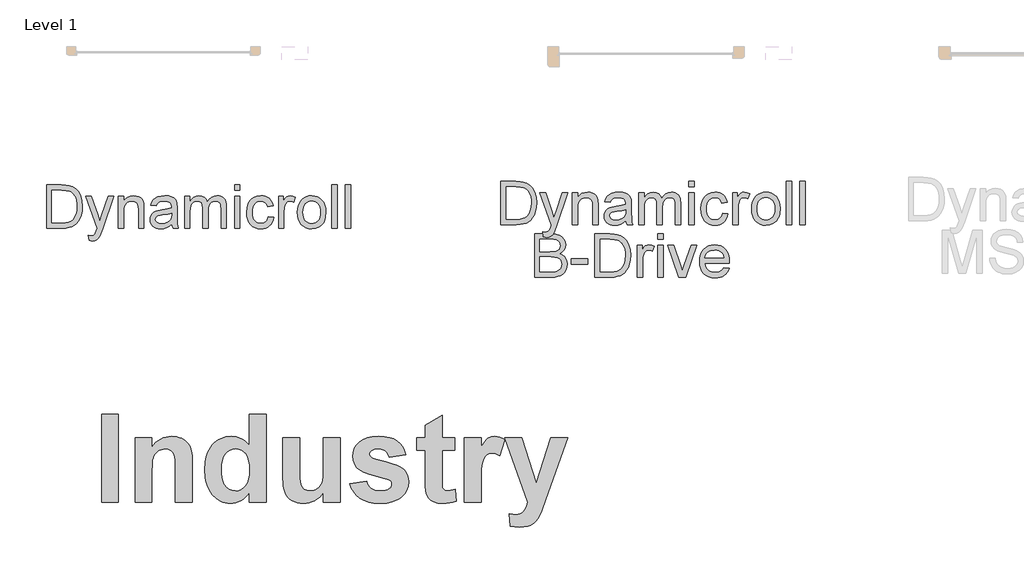
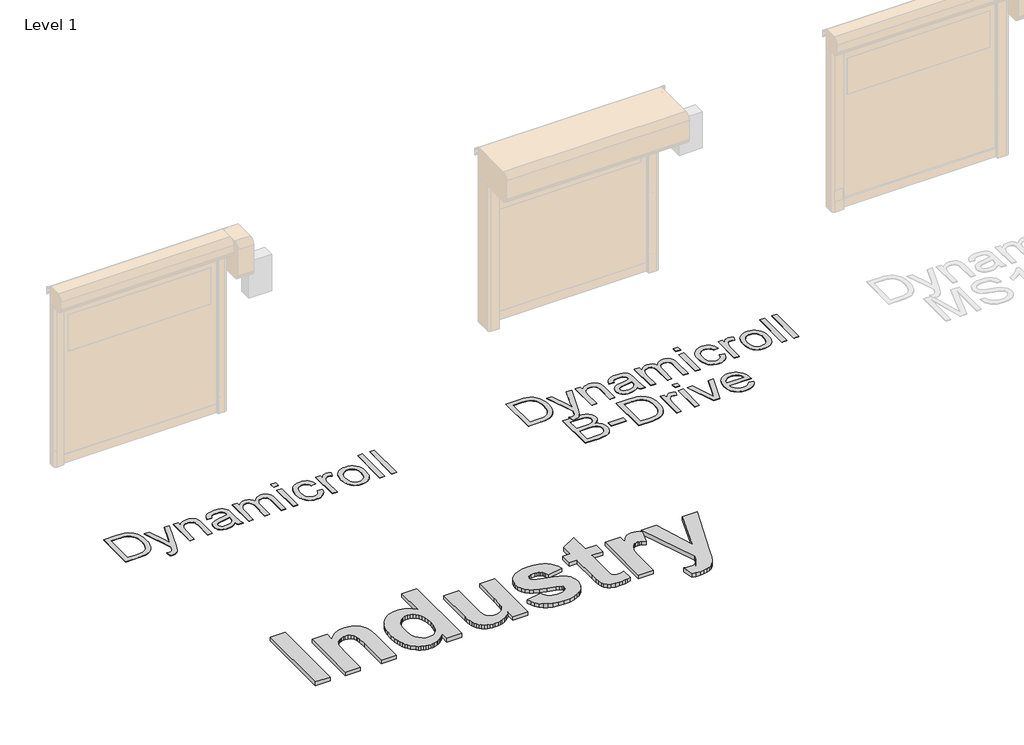
# One storey, part 6 of 18: 3 proxies.
"""IFC4 building model written with IfcOpenShell, lengths in millimetres."""

from ifc_helpers import new_model, si_unit, origin, origin_with_axes, place, context, project, spatial, polyline, outline, extrude, element, save

model = new_model("IFC4")

# Units and contexts
model_context = context("Model", 3, world=origin())
ifc_project = project(units=[si_unit("LENGTHUNIT", "METRE", prefix="MILLI")], contexts=[model_context])

# Site, building, storey
site = spatial("IfcSite", under=ifc_project)
building = spatial("IfcBuilding", under=site)
storey = spatial("IfcBuildingStorey", under=building, Name="Level 1", Elevation=0.0)

# Proxies
placement = place(None, origin())
element("IfcBuildingElementProxy", 1, Name="1000", ObjectType="1000", at=placement, inside=storey, context=model_context, shape_type="SweptSolid", body=[
    extrude(outline(polyline([(770.1824605, 15939.6667942), (770.1824605, 16959.9261942), (964.5175843, 16959.9261942), (964.5175843, 15939.6667942), (770.1824605, 15939.6667942)])), origin_with_axes(), (0.0, 0.0, 1.0), 50.0),
    extrude(outline(polyline([(1822.8310478, 15939.6667942), (1628.495924, 15939.6667942), (1628.495924, 16322.5171097), (1625.4594377, 16422.7211579), (1621.6638298, 16456.6918485), (1616.3499787, 16479.9083168), (1600.3451655, 16511.6016426), (1576.6226162, 16535.3241919), (1546.3210132, 16550.1270627), (1510.579039, 16555.0613529), (1486.4215763, 16553.2979767), (1463.5451312, 16548.0078483), (1441.9497039, 16539.1909674), (1421.6352942, 16526.8473343), (1403.5112665, 16511.5858276), (1388.4869853, 16494.0153261), (1376.5624505, 16474.1358298), (1367.7376622, 16451.9473387), (1361.3721114, 16423.6621524), (1356.8252895, 16385.4925706), (1353.1878319, 16279.5002203), (1353.1878319, 15939.6667942), (1158.8527081, 15939.6667942), (1158.8527081, 16684.6181021), (1353.1878319, 16684.6181021), (1353.1878319, 16577.3289192), (1377.0250402, 16606.2704293), (1402.3567691, 16631.3530714), (1429.1830186, 16652.5768455), (1457.5037887, 16669.9417516), (1487.3190794, 16683.4477897), (1518.6288907, 16693.0949597), (1551.4332226, 16698.8832618), (1585.7320751, 16700.8126958), (1644.8170379, 16694.9295035), (1672.3668251, 16687.5755133), (1698.5881496, 16677.2799269), (1743.502843, 16650.5208913), (1761.31057, 16634.7216734), (1776.0185505, 16617.3093223), (1798.3177469, 16578.4359715), (1812.5829065, 16534.6915906), (1820.2690125, 16478.4849638), (1822.8310478, 16402.2248753), (1822.8310478, 15939.6667942)])), origin_with_axes(), (0.0, 0.0, 1.0), 50.0),
    extrude(outline(polyline([(2681.1445112, 15939.6667942), (2486.8093874, 15939.6667942), (2486.8093874, 16046.9559771), (2464.0752777, 16017.7060739), (2439.3959189, 15992.4573739), (2412.7713111, 15971.2098773), (2384.2014542, 15953.9635839), (2354.6036202, 15940.6236037), (2324.895081, 15931.0950464), (2295.0758365, 15925.377912), (2265.1458869, 15923.4722006), (2235.1388389, 15925.0853339), (2206.2269819, 15929.924734), (2178.410316, 15937.9904007), (2151.6888411, 15949.2823342), (2126.0625572, 15963.8005344), (2101.5314644, 15981.5450012), (2055.7548518, 16026.7127351), (2035.3238062, 16053.7999326), (2017.6169, 16083.441258), (2002.6341333, 16115.6367111), (1990.3755059, 16150.3862921), (1980.841018, 16187.6900008), (1974.0306695, 16227.5478374), (1968.5823906, 16314.9258939), (1974.0227619, 16403.7747486), (1980.8232261, 16443.9528395), (1990.3438759, 16481.3000396), (2002.5847113, 16515.8163489), (2017.5457324, 16547.5017672), (2035.2269391, 16576.3562947), (2055.6283315, 16602.3799312), (2078.1094007, 16625.4501104), (2102.0296379, 16645.4442657), (2127.3890431, 16662.3623971), (2154.1876163, 16676.2045046), (2182.4253575, 16686.9705883), (2212.1022666, 16694.660648), (2243.2183438, 16699.2746838), (2275.7735889, 16700.8126958), (2305.7509837, 16699.2193312), (2334.7004014, 16694.4392375), (2362.6218419, 16686.4724147), (2389.5153053, 16675.3188628), (2415.3807915, 16660.9785817), (2440.2183006, 16643.4515716), (2486.8093874, 16598.8373639), (2486.8093874, 16959.9261942), (2681.1445112, 16959.9261942), (2681.1445112, 15939.6667942)]), holes=[polyline([(2162.9175144, 16326.3127176), (2164.9418386, 16269.1888189), (2171.0148113, 16220.5417778), (2181.1364323, 16180.3715944), (2195.3067017, 16148.6782685), (2221.0377602, 16113.9168263), (2251.4184383, 16089.0872247), (2286.4487361, 16074.1894637), (2326.1286536, 16069.2235434), (2358.3913206, 16072.9479836), (2388.1235824, 16084.1213044), (2415.3254389, 16102.7435056), (2439.9968902, 16128.8145872), (2460.4773577, 16162.2871043), (2475.1062631, 16203.1136116), (2483.8836064, 16251.2941092), (2486.8093874, 16306.8285971), (2483.970589, 16368.2462772), (2475.4541938, 16420.4121631), (2461.2602019, 16463.3262548), (2441.3886131, 16496.9885522), (2417.073, 16522.3954025), (2389.5469353, 16540.5431527), (2358.810419, 16551.4318029), (2324.8634509, 16555.0613529), (2291.8416623, 16551.4713405), (2261.6033195, 16540.7013031), (2234.1484224, 16522.7512408), (2209.4769712, 16497.6211536), (2189.1072089, 16465.3743016), (2174.5573786, 16426.0739449), (2165.8274805, 16379.7200836), (2162.9175144, 16326.3127176)])]), origin_with_axes(), (0.0, 0.0, 1.0), 50.0),
    extrude(outline(polyline([(3345.1228509, 15939.6667942), (3345.1228509, 16048.9803013), (3324.254915, 16021.3119014), (3300.3663079, 15996.7590628), (3273.4570295, 15975.3217858), (3243.5270798, 15957.0000702), (3211.636066, 15942.3316272), (3178.8435954, 15931.854168), (3145.1496679, 15925.5676924), (3110.5542835, 15923.4722006), (3075.9035465, 15925.5281548), (3043.0557232, 15931.6960176), (3012.0108137, 15941.975789), (2982.768818, 15956.3674689), (2956.3893432, 15974.4835891), (2933.9319965, 15995.9366811), (2915.396778, 16020.7267451), (2900.7836876, 16048.8537811), (2889.7131646, 16081.5039164), (2881.8056482, 16119.8632786), (2877.0611383, 16163.9318677), (2875.479635, 16213.7096836), (2875.479635, 16684.6181021), (3069.8147588, 16684.6181021), (3069.8147588, 16340.2299465), (3072.4400543, 16212.7291516), (3080.3159407, 16146.527424), (3095.1820716, 16114.6443178), (3118.7781006, 16090.0993868), (3150.5030565, 16074.4425043), (3189.7559681, 16069.2235434), (3213.6603902, 16070.963197), (3236.2837947, 16076.1821579), (3257.6261816, 16084.8804259), (3277.6875508, 16097.0580012), (3295.5743529, 16111.8213344), (3310.3930387, 16128.2768761), (3322.1436081, 16146.4246263), (3330.8260612, 16166.264585), (3337.0809067, 16194.4232511), (3341.5486535, 16237.5271231), (3345.1228509, 16368.5704854), (3345.1228509, 16684.6181021), (3539.4579747, 16684.6181021), (3539.4579747, 15939.6667942), (3345.1228509, 15939.6667942)])), origin_with_axes(), (0.0, 0.0, 1.0), 50.0),
    extrude(outline(polyline([(3652.8201302, 16150.1965117), (3847.155254, 16182.585699), (3854.8176375, 16156.4276346), (3865.6588425, 16133.6223572), (3879.6788691, 16114.1698668), (3896.8777174, 16098.0701633), (3917.5242428, 16085.4497671), (3941.8873009, 16076.4351984), (3969.9668917, 16071.0264572), (4001.7630153, 16069.2235434), (4036.5402726, 16070.947382), (4066.7311703, 16076.1188977), (4092.3357085, 16084.7380906), (4113.3538872, 16096.8049607), (4124.4244102, 16107.2428824), (4132.3319266, 16119.3255675), (4137.0764365, 16133.053016), (4138.6579398, 16148.425228), (4135.3051528, 16168.5419498), (4125.2467919, 16184.8630637), (4102.2833642, 16198.2109514), (4061.7336199, 16210.4201568), (3957.3702181, 16235.8190996), (3874.0408099, 16260.1426201), (3811.7453955, 16283.3907184), (3770.4839747, 16305.5633945), (3733.1763122, 16338.6009981), (3706.5279818, 16377.4901639), (3690.5389836, 16422.2308919), (3685.2093175, 16472.823182), (3689.779862, 16519.1137832), (3703.4914955, 16561.5771465), (3726.344218, 16600.2132717), (3758.3380295, 16635.0221591), (3799.947381, 16663.8055189), (3851.6467234, 16684.3650616), (3913.4360568, 16696.7007872), (3985.3153811, 16700.8126958), (4053.7470283, 16697.4915389), (4112.784546, 16687.5280682), (4162.4279341, 16670.9222837), (4202.6771928, 16647.6741853), (4235.4617559, 16617.9102935), (4262.7110575, 16581.7571284), (4284.4250976, 16539.21469), (4300.6038763, 16490.2829783), (4106.2687525, 16457.893791), (4091.9719627, 16499.4556974), (4081.502411, 16516.108927), (4068.8187546, 16530.0103409), (4053.573063, 16540.9701586), (4035.4174052, 16548.7985999), (4014.3517815, 16553.4956647), (3990.3761916, 16555.0613529), (3935.0235766, 16549.7475019), (3914.2268084, 16543.1051881), (3898.0163997, 16533.8059487), (3884.1624309, 16516.3461525), (3879.5444413, 16494.3316267), (3884.1624309, 16475.2903272), (3898.0163997, 16459.1589936), (3918.0619539, 16448.5471066), (3953.4006448, 16435.9425254), (4069.957437, 16404.7552806), (4137.9699858, 16386.1409869), (4194.8645665, 16365.470739), (4240.6411792, 16342.7445367), (4275.2998237, 16317.9623803), (4300.5406161, 16289.1948355), (4318.5697536, 16255.27159), (4329.3872361, 16216.1926438), (4332.9930636, 16171.9579969), (4327.7661952, 16122.7653372), (4312.0855901, 16077.1626899), (4285.9512483, 16035.1500551), (4249.3631698, 15996.7274328), (4227.2003781, 15979.5582377), (4202.52695, 15964.6782687), (4145.6481843, 15941.7860086), (4078.7268727, 15928.0506526), (4001.7630153, 15923.4722006), (3931.2516913, 15927.2836235), (3868.5055484, 15938.7178922), (3813.5245867, 15957.7750068), (3766.3088061, 15984.4549673), (3726.7158713, 16017.6823513), (3694.6034471, 16056.3817367), (3669.9715334, 16100.5531235), (3652.8201302, 16150.1965117)])), origin_with_axes(), (0.0, 0.0, 1.0), 50.0),
    extrude(outline(polyline([(4867.414654, 16684.6181021), (4867.414654, 16538.8667593), (4721.6633112, 16538.8667593), (4721.6633112, 16219.2765752), (4722.7703635, 16142.5736658), (4726.0915204, 16106.2939804), (4733.3348054, 16091.6176299), (4746.2082422, 16079.7247252), (4763.6047783, 16071.8488389), (4784.4173615, 16069.2235434), (4822.8795215, 16073.9047931), (4875.5119508, 16087.9485423), (4883.6092477, 15949.7884152), (4847.2821172, 15938.2750713), (4808.6459919, 15930.0512542), (4767.7008718, 15925.116964), (4724.4467569, 15923.4722006), (4672.6999694, 15928.02693), (4626.2670329, 15941.6911184), (4588.3425841, 15962.5669618), (4562.1212596, 15988.7566562), (4544.8196137, 16022.7273468), (4533.6542005, 16066.9461787), (4528.9096906, 16119.7683884), (4527.3281874, 16208.3958326), (4527.3281874, 16538.8667593), (4430.1606255, 16538.8667593), (4430.1606255, 16684.6181021), (4527.3281874, 16684.6181021), (4527.3281874, 16830.369445), (4721.6633112, 16943.7316005), (4721.6633112, 16684.6181021), (4867.414654, 16684.6181021)])), origin_with_axes(), (0.0, 0.0, 1.0), 50.0),
    extrude(outline(polyline([(5175.1119334, 15939.6667942), (4980.7768096, 15939.6667942), (4980.7768096, 16684.6181021), (5175.1119334, 16684.6181021), (5175.1119334, 16580.8714865), (5216.1677587, 16641.8858833), (5235.0350929, 16662.9277845), (5252.7953748, 16677.6594877), (5289.6127713, 16695.0243937), (5331.2379378, 16700.8126958), (5361.8400264, 16698.2506604), (5391.9044038, 16690.5645545), (5421.4310702, 16677.7543779), (5450.4200254, 16659.8201306), (5393.7389476, 16474.8475062), (5346.9264504, 16498.5700555), (5324.8486645, 16504.5006929), (5303.6565205, 16506.477572), (5266.3014128, 16500.9423105), (5249.9723914, 16494.0232336), (5235.2090582, 16484.336526), (5221.9718757, 16471.0439908), (5210.2213063, 16453.3074315), (5191.1800067, 16404.5022401), (5184.1502246, 16367.7481037), (5179.1289517, 16315.1789345), (5175.1119334, 16162.5954974), (5175.1119334, 15939.6667942)])), origin_with_axes(), (0.0, 0.0, 1.0), 50.0),
    extrude(outline(polyline([(5450.4200254, 16684.6181021), (5644.7551492, 16684.6181021), (5814.7983825, 16157.2816464), (5984.8416159, 16684.6181021), (6179.1767397, 16684.6181021), (5927.148376, 15970.7907789), (5880.3358787, 15838.1975434), (5856.6449595, 15783.7305702), (5834.1559828, 15743.8134273), (5810.5915838, 15714.2709459), (5783.6743979, 15690.9279574), (5751.8229217, 15672.93045), (5713.455652, 15659.4244119), (5669.1419299, 15650.9791844), (5619.4510966, 15648.1641085), (5566.8186673, 15650.9475543), (5515.1984, 15659.2978916), (5499.0038064, 15803.2779508), (5539.6800709, 15796.2560762), (5576.1811667, 15793.9154514), (5605.7631857, 15796.4853942), (5631.2491111, 15804.1952227), (5652.6389431, 15817.0449369), (5669.9326815, 15835.0345368), (5696.8498675, 15881.7521439), (5716.6186585, 15939.6667942), (5450.4200254, 16684.6181021)])), origin_with_axes(), (0.0, 0.0, 1.0), 50.0),
])
element("IfcBuildingElementProxy", 2, Name="500mm", ObjectType="500mm", at=placement, inside=storey, context=model_context, shape_type="SweptSolid", body=[
    extrude(outline(polyline([(5402.5904997, 19157.9917402), (5402.5904997, 19660.2732909), (5575.8629195, 19660.2732909), (5627.6423103, 19658.4645378), (5665.5034989, 19653.0382784), (5705.5413228, 19639.0894194), (5739.3251526, 19617.1084702), (5757.9415144, 19599.1435661), (5774.0593444, 19578.8487427), (5787.6786424, 19556.224), (5798.7994085, 19531.269338), (5813.6066588, 19475.289961), (5818.5424089, 19411.8303169), (5815.2008142, 19357.9202762), (5805.1760298, 19310.4788272), (5789.908927, 19270.0884498), (5770.8403769, 19237.3316238), (5748.8900845, 19211.4725852), (5724.9777548, 19191.7755701), (5697.5245609, 19177.1675892), (5664.951676, 19166.5756534), (5627.1977862, 19160.1377185), (5584.201578, 19157.9917402), (5402.5904997, 19157.9917402)]), holes=[polyline([(5465.3756936, 19220.776934), (5576.4760561, 19220.776934), (5622.4306487, 19223.0455397), (5657.2874677, 19229.8513566), (5683.5910304, 19240.7958459), (5703.8858538, 19255.4804689), (5725.6981904, 19282.6577513), (5742.0842676, 19317.8364671), (5752.3389782, 19361.1699004), (5755.7572151, 19412.8113355), (5754.0825856, 19449.2623099), (5749.0586971, 19481.2373866), (5740.6855496, 19508.7365658), (5728.9631431, 19531.7598473), (5714.8418394, 19550.8283974), (5699.2720004, 19566.4633822), (5682.253626, 19578.6648017), (5663.7867163, 19587.4326559), (5627.6729671, 19594.9742368), (5574.7592735, 19597.4880971), (5465.3756936, 19597.4880971), (5465.3756936, 19220.776934)])]), origin_with_axes(), (0.0, 0.0, 1.0), 5.0),
    extrude(outline(polyline([(5897.0239012, 19016.725054), (5889.175752, 19077.1803286), (5921.0588583, 19071.6620987), (5937.8281459, 19073.3942097), (5950.8572999, 19078.5905429), (5961.0047116, 19086.8832162), (5969.1287723, 19097.9043476), (5986.2965987, 19144.1348517), (5991.201692, 19159.3406408), (5857.7831551, 19526.854754), (5924.0019142, 19526.854754), (5994.7578846, 19322.06711), (6019.4059783, 19240.1520524), (6044.054072, 19312.5021782), (6116.7720797, 19526.854754), (6182.5003295, 19526.854754), (6054.1095132, 19149.1625723), (6020.754879, 19067.2475147), (6003.679023, 19041.0972362), (5984.3345614, 19022.979048), (5961.8631029, 19012.4024406), (5935.4062561, 19008.8769048), (5917.2267541, 19010.8389421), (5897.0239012, 19016.725054)])), origin_with_axes(), (0.0, 0.0, 1.0), 5.0),
    extrude(outline(polyline([(6234.4943182, 19157.9917402), (6234.4943182, 19526.854754), (6297.279512, 19526.854754), (6297.279512, 19475.3512747), (6319.0918486, 19501.3176122), (6345.2881124, 19519.8649961), (6375.8683032, 19530.9934265), (6410.8324212, 19534.7029033), (6441.780494, 19531.713862), (6470.1227361, 19522.7467384), (6493.7591543, 19508.9205068), (6510.5897555, 19491.3541415), (6522.0094258, 19470.0936278), (6529.413051, 19445.1849511), (6532.7239889, 19384.4844219), (6532.7239889, 19157.9917402), (6469.9387951, 19157.9917402), (6469.9387951, 19376.023136), (6468.1300419, 19408.4887221), (6462.7037825, 19431.5733173), (6452.6943265, 19448.1126786), (6437.1359838, 19460.9425632), (6417.193714, 19469.1739229), (6394.0324767, 19471.9177094), (6374.9677588, 19470.3772036), (6357.2596056, 19465.755686), (6340.9080174, 19458.0531567), (6325.912994, 19447.2696157), (6313.3858456, 19432.1787897), (6304.4378825, 19411.5544054), (6299.0691046, 19385.3964627), (6297.279512, 19353.7049616), (6297.279512, 19157.9917402), (6234.4943182, 19157.9917402)])), origin_with_axes(), (0.0, 0.0, 1.0), 5.0),
    extrude(outline(polyline([(6854.4981074, 19205.0806356), (6824.5003963, 19179.3595527), (6793.6136372, 19162.5289515), (6761.1327227, 19153.2399311), (6726.3525457, 19150.143591), (6698.3973462, 19152.0059936), (6673.8833761, 19157.5932014), (6652.8106356, 19166.9052144), (6635.1791246, 19179.9420326), (6621.2570903, 19195.8759215), (6611.3127801, 19213.8791466), (6605.346194, 19233.951708), (6603.357332, 19256.0936056), (6606.3617016, 19282.1212567), (6615.3748105, 19305.7576749), (6629.2776842, 19325.9911847), (6646.9513484, 19341.8101104), (6667.7213527, 19353.7662753), (6690.9132468, 19362.4115022), (6745.2371548, 19371.8538067), (6809.432563, 19381.7866206), (6854.1302254, 19393.4362171), (6854.4981074, 19407.4157329), (6850.1754939, 19435.4360782), (6837.2076536, 19453.7688643), (6824.1325143, 19461.708984), (6808.2062896, 19467.3804981), (6767.8005838, 19471.9177094), (6730.3992477, 19468.8980114), (6704.279626, 19459.8389172), (6686.4680061, 19443.084958), (6673.9906751, 19416.9806648), (6611.2054812, 19424.828814), (6622.1039853, 19459.1644669), (6638.3674352, 19486.1424799), (6661.5133441, 19506.7745285), (6693.0592251, 19522.0722881), (6731.6408494, 19531.5452495), (6775.8939877, 19534.7029033), (6818.3383729, 19531.9131315), (6851.9842471, 19523.5438161), (6877.3527763, 19510.9591861), (6894.9651268, 19495.5234708), (6906.6453802, 19476.4395923), (6914.2176179, 19452.910473), (6917.2833012, 19397.9734284), (6917.2833012, 19319.8598181), (6920.4716118, 19210.7828065), (6925.1927641, 19183.8201219), (6932.9795997, 19157.9917402), (6870.1944058, 19157.9917402), (6860.1389646, 19179.8194052), (6854.4981074, 19205.0806356)]), holes=[polyline([(6854.4981074, 19330.6510233), (6812.3143052, 19320.1970432), (6753.2079314, 19311.3985322), (6699.1905917, 19301.2204636), (6685.1344338, 19294.2613626), (6674.7264391, 19284.6657739), (6668.2885041, 19273.1694615), (6666.1425258, 19260.5081895), (6670.8176929, 19241.8381783), (6684.8431939, 19226.5404186), (6707.9124607, 19216.3316933), (6739.7189249, 19212.9287848), (6773.4414411, 19216.6842468), (6803.2398827, 19227.9506329), (6827.397467, 19244.551308), (6844.1974115, 19264.3096368), (6851.6470219, 19284.6657739), (6854.1302254, 19312.8700602), (6854.4981074, 19330.6510233)])]), origin_with_axes(), (0.0, 0.0, 1.0), 5.0),
    extrude(outline(polyline([(7003.6129427, 19157.9917402), (7003.6129427, 19526.854754), (7066.3981366, 19526.854754), (7066.3981366, 19466.1542248), (7085.2827457, 19494.0366144), (7109.5629574, 19515.8796078), (7138.4110371, 19529.9970794), (7170.9992505, 19534.7029033), (7205.9173833, 19529.9051089), (7233.9070717, 19515.5117258), (7254.8150318, 19492.4731159), (7268.4879793, 19461.7396409), (7291.373305, 19493.6610682), (7317.4775983, 19516.4620877), (7346.800859, 19530.1426994), (7379.3430871, 19534.7029033), (7404.477858, 19532.8060117), (7426.5392814, 19527.1153371), (7445.5273573, 19517.6308794), (7461.4420857, 19504.3526386), (7474.0228836, 19487.1273306), (7483.0091677, 19465.8016712), (7488.4009382, 19440.3756604), (7490.198195, 19410.8492982), (7490.198195, 19157.9917402), (7427.4130012, 19157.9917402), (7427.4130012, 19383.8712852), (7425.9568016, 19415.1872401), (7421.5882029, 19436.2944695), (7413.4028285, 19450.7491663), (7400.4963019, 19462.1075229), (7383.8956268, 19469.4651628), (7364.6278073, 19471.9177094), (7346.8353479, 19470.3465467), (7330.6140512, 19465.6330587), (7315.9639172, 19457.7772452), (7302.8849458, 19446.7791064), (7292.1282296, 19432.3167455), (7284.4448608, 19414.0682657), (7279.8348396, 19392.033667), (7278.2981658, 19366.2129495), (7278.2981658, 19157.9917402), (7215.512972, 19157.9917402), (7215.512972, 19390.8610431), (7211.8801373, 19426.3616557), (7200.9816332, 19451.6841997), (7192.5548362, 19460.5363602), (7181.8057842, 19466.859332), (7153.3409148, 19471.9177094), (7129.1526736, 19468.5454578), (7106.8651561, 19458.4287029), (7088.4710563, 19441.8126995), (7075.9630685, 19418.9427021), (7068.7893696, 19387.21288), (7066.3981366, 19344.0174024), (7066.3981366, 19157.9917402), (7003.6129427, 19157.9917402)])), origin_with_axes(), (0.0, 0.0, 1.0), 5.0),
    extrude(outline(polyline([(7584.3759858, 19597.4880971), (7584.3759858, 19660.2732909), (7647.1611796, 19660.2732909), (7647.1611796, 19597.4880971), (7584.3759858, 19597.4880971)])), origin_with_axes(), (0.0, 0.0, 1.0), 5.0),
    extrude(outline(polyline([(7584.3759858, 19157.9917402), (7584.3759858, 19526.854754), (7647.1611796, 19526.854754), (7647.1611796, 19157.9917402), (7584.3759858, 19157.9917402)])), origin_with_axes(), (0.0, 0.0, 1.0), 5.0),
    extrude(outline(polyline([(7976.7834473, 19291.4102771), (8039.5686412, 19283.5621279), (8032.7398316, 19253.936131), (8022.0635896, 19227.7207067), (8007.539915, 19204.9158551), (7989.1688078, 19185.5215762), (7967.7243532, 19170.0437076), (7943.9806361, 19158.9880873), (7917.9376565, 19152.354715), (7889.5954145, 19150.143591), (7854.3822097, 19153.2284348), (7822.8095039, 19162.4829662), (7794.877297, 19177.9071853), (7770.585589, 19199.501092), (7750.9230628, 19226.8584833), (7736.8784012, 19259.5731561), (7728.4516043, 19297.6451105), (7725.6426719, 19341.0743465), (7730.4404663, 19396.9464245), (7744.8338494, 19445.3688921), (7755.6863682, 19466.3190053), (7769.0527474, 19484.4716825), (7784.9329868, 19499.8269237), (7803.3270866, 19512.3847289), (7844.3306006, 19529.1233597), (7888.7370231, 19534.7029033), (7916.592588, 19532.7868512), (7941.7886725, 19527.038695), (7964.3252768, 19517.4584347), (7984.2024009, 19504.0460703), (8001.0828195, 19487.1081701), (8014.6293076, 19466.9513025), (8024.841865, 19443.5754674), (8031.7204919, 19416.9806648), (7968.9352981, 19409.1325156), (7957.5462846, 19436.5243958), (7939.8113068, 19456.1600973), (7916.7113832, 19467.9783064), (7889.2275325, 19471.9177094), (7867.8942088, 19469.9786647), (7848.6532141, 19464.1615307), (7831.5045482, 19454.4663073), (7816.4482111, 19440.8929945), (7804.18931, 19423.1273598), (7795.4329521, 19400.8551707), (7790.1791374, 19374.0764271), (7788.4278658, 19342.7911291), (7790.1408163, 19311.0344823), (7795.2796679, 19283.9453383), (7803.8444206, 19261.5236971), (7815.8350744, 19243.7695587), (7830.5925074, 19230.2767201), (7847.4575976, 19220.6389783), (7866.4303451, 19214.8563332), (7887.5107498, 19212.9287848), (7920.0223211, 19217.7419076), (7946.6784374, 19232.1812759), (7957.4581463, 19243.1027726), (7966.0688842, 19256.6147717), (7976.7834473, 19291.4102771)])), origin_with_axes(), (0.0, 0.0, 1.0), 5.0),
    extrude(outline(polyline([(8094.5056858, 19157.9917402), (8094.5056858, 19526.854754), (8149.4427304, 19526.854754), (8149.4427304, 19472.2855914), (8169.7375538, 19503.923443), (8188.4382219, 19522.5627974), (8207.2002036, 19531.6678768), (8227.678968, 19534.7029033), (8258.9489376, 19529.8591236), (8290.7094165, 19515.3277848), (8269.7401428, 19459.0418396), (8247.6672231, 19468.698742), (8225.5943034, 19471.9177094), (8206.84765, 19468.8213693), (8190.0936909, 19459.5323489), (8176.5586991, 19444.7557554), (8167.4689481, 19425.196696), (8159.8353967, 19390.1252791), (8157.2908796, 19351.8655516), (8157.2908796, 19157.9917402), (8094.5056858, 19157.9917402)])), origin_with_axes(), (0.0, 0.0, 1.0), 5.0),
    extrude(outline(polyline([(8314.2538642, 19342.4232471), (8317.6491085, 19390.194257), (8327.8348412, 19431.3587194), (8344.8110624, 19465.9166344), (8368.5777722, 19493.8680018), (8392.5054303, 19511.7332712), (8418.9162919, 19524.4941779), (8447.8103569, 19532.1507219), (8479.1876254, 19534.7029033), (8513.8260145, 19531.5950668), (8545.1458014, 19522.2715575), (8573.1469862, 19506.7323753), (8597.8295688, 19484.9775202), (8617.9749402, 19457.7427563), (8632.3644911, 19425.7638474), (8640.9982217, 19389.0407937), (8643.8761319, 19347.573595), (8638.7870976, 19284.1446077), (8632.4258048, 19258.1092923), (8623.5199948, 19235.8600958), (8612.1807988, 19216.6420937), (8598.5193476, 19199.7003614), (8582.5356413, 19185.0348989), (8564.2296799, 19172.6457063), (8523.5020774, 19155.7691198), (8479.1876254, 19150.143591), (8444.0433985, 19153.2399311), (8412.4323717, 19162.5289515), (8384.3545448, 19178.0106521), (8359.809918, 19199.685033), (8339.8791444, 19227.1842121), (8325.6428777, 19260.1403075), (8317.1011176, 19298.5533192), (8314.2538642, 19342.4232471)]), holes=[polyline([(8377.0390581, 19342.5458744), (8378.8554754, 19312.092143), (8384.3047275, 19285.7234346), (8393.3868142, 19263.4397492), (8406.1017357, 19245.2410867), (8421.5681079, 19231.1044546), (8438.9045469, 19221.0068603), (8458.1110528, 19214.9483037), (8479.1876254, 19212.9287848), (8500.1568991, 19214.9598), (8519.2867629, 19221.0528455), (8536.5772166, 19231.2079214), (8552.0282604, 19245.4250277), (8564.7431819, 19263.8037991), (8573.8252687, 19286.4438702), (8579.2745207, 19313.3452411), (8581.0909381, 19344.5079117), (8579.2630244, 19373.9959529), (8573.7792834, 19399.6748826), (8564.6397151, 19421.5447008), (8551.8443194, 19439.6054075), (8536.3357941, 19453.7420396), (8519.0568366, 19463.8396339), (8500.0074471, 19469.8981905), (8479.1876254, 19471.9177094), (8458.1110528, 19469.9058547), (8438.9045469, 19463.8702908), (8421.5681079, 19453.8110175), (8406.1017357, 19439.7280348), (8393.3868142, 19421.5830218), (8384.3047275, 19399.3376574), (8378.8554754, 19372.9919416), (8377.0390581, 19342.5458744)])]), origin_with_axes(), (0.0, 0.0, 1.0), 5.0),
    extrude(outline(polyline([(8714.509475, 19157.9917402), (8714.509475, 19660.2732909), (8777.2946688, 19660.2732909), (8777.2946688, 19157.9917402), (8714.509475, 19157.9917402)])), origin_with_axes(), (0.0, 0.0, 1.0), 5.0),
    extrude(outline(polyline([(8871.4724596, 19157.9917402), (8871.4724596, 19660.2732909), (8934.2576534, 19660.2732909), (8934.2576534, 19157.9917402), (8871.4724596, 19157.9917402)])), origin_with_axes(), (0.0, 0.0, 1.0), 5.0),
    extrude(outline(polyline([(5794.9979613, 18548.117651), (5794.9979613, 19050.3992017), (5986.6644807, 19050.3992017), (6039.378905, 19046.7050533), (6080.5357032, 19035.6226082), (6112.0815843, 19016.8759549), (6135.9632571, 18990.1891818), (6151.0004337, 18958.7965849), (6156.0128259, 18925.93246), (6151.7975113, 18895.6894943), (6139.1515677, 18867.2552818), (6117.9830246, 18842.3772619), (6088.1999114, 18822.802874), (6107.1496663, 18814.7247986), (6123.777166, 18804.2248333), (6138.0824107, 18791.3029782), (6150.0654003, 18775.9592333), (6166.2981933, 18739.876141), (6171.7091243, 18697.845623), (6168.0149759, 18662.8201914), (6156.9325308, 18630.3392769), (6140.3931695, 18602.7174704), (6120.3282723, 18582.2693628), (6095.7568207, 18567.4621125), (6065.697796, 18556.7628779), (6029.1701796, 18550.2789577), (5985.1929528, 18548.117651), (5794.9979613, 18548.117651)]), holes=[polyline([(5857.7831551, 18846.3473217), (5972.4397103, 18846.3473217), (6012.5388477, 18847.6962224), (6039.3942334, 18851.7429243), (6062.8313822, 18861.0472731), (6079.6773119, 18874.9808037), (6089.840052, 18893.3289182), (6093.227632, 18915.8770188), (6090.0699782, 18937.7659975), (6080.5970168, 18956.8345476), (6065.2379435, 18971.71844), (6044.421954, 18981.0534456), (6012.4775341, 18985.9738673), (5963.7331697, 18987.6140079), (5857.7831551, 18987.6140079), (5857.7831551, 18846.3473217)]), polyline([(5857.7831551, 18610.9028448), (5986.5418534, 18610.9028448), (6033.1402395, 18613.3553914), (6054.7686351, 18618.7969793), (6072.5649266, 18627.0283389), (6087.0349518, 18638.8158912), (6098.6845483, 18654.9260569), (6106.3640849, 18674.6384005), (6108.9239305, 18697.2324863), (6105.9195608, 18723.4747353), (6096.906452, 18746.0381644), (6081.1641682, 18763.6811717), (6057.9722741, 18775.1621557), (6025.1234777, 18781.4621348), (5980.4104868, 18783.5621279), (5857.7831551, 18783.5621279), (5857.7831551, 18610.9028448)])]), origin_with_axes(), (0.0, 0.0, 1.0), 5.0),
    extrude(outline(polyline([(6218.7980197, 18697.2324863), (6218.7980197, 18760.0176802), (6415.0017505, 18760.0176802), (6415.0017505, 18697.2324863), (6218.7980197, 18697.2324863)])), origin_with_axes(), (0.0, 0.0, 1.0), 5.0),
    extrude(outline(polyline([(6493.4832428, 18548.117651), (6493.4832428, 19050.3992017), (6666.7556625, 19050.3992017), (6718.5350533, 19048.5904486), (6756.396242, 19043.1641891), (6796.4340658, 19029.2153302), (6830.2178957, 19007.2343809), (6848.8342575, 18989.2694768), (6864.9520874, 18968.9746534), (6878.5713854, 18946.3499107), (6889.6921516, 18921.3952487), (6904.4994019, 18865.4158718), (6909.435152, 18801.9562276), (6906.0935572, 18748.0461869), (6896.0687728, 18700.604738), (6880.80167, 18660.2143606), (6861.7331199, 18627.4575346), (6839.7828276, 18601.598496), (6815.8704979, 18581.9014809), (6788.417304, 18567.2935), (6755.844419, 18556.7015642), (6718.0905292, 18550.2636293), (6675.094321, 18548.117651), (6493.4832428, 18548.117651)]), holes=[polyline([(6556.2684366, 18610.9028448), (6667.3687991, 18610.9028448), (6713.3233917, 18613.1714504), (6748.1802108, 18619.9772674), (6774.4837734, 18630.9217567), (6794.7785968, 18645.6063797), (6816.5909334, 18672.7836621), (6832.9770106, 18707.9623779), (6843.2317213, 18751.2958112), (6846.6499581, 18802.9372463), (6844.9753286, 18839.3882206), (6839.9514401, 18871.3632974), (6831.5782926, 18898.8624765), (6819.8558861, 18921.8857581), (6805.7345825, 18940.9543081), (6790.1647435, 18956.5892929), (6773.1463691, 18968.7907124), (6754.6794593, 18977.5585667), (6718.5657101, 18985.1001476), (6665.6520165, 18987.6140079), (6556.2684366, 18987.6140079), (6556.2684366, 18610.9028448)])]), origin_with_axes(), (0.0, 0.0, 1.0), 5.0),
    extrude(outline(polyline([(6987.9166443, 18548.117651), (6987.9166443, 18916.9806648), (7042.8536889, 18916.9806648), (7042.8536889, 18862.4115022), (7063.1485123, 18894.0493538), (7081.8491804, 18912.6887082), (7100.6111621, 18921.7937876), (7121.0899265, 18924.828814), (7152.3598961, 18919.9850344), (7184.120375, 18905.4536956), (7163.1511013, 18849.1677504), (7141.0781816, 18858.8246527), (7119.0052619, 18862.0436202), (7100.2586086, 18858.9472801), (7083.5046494, 18849.6582597), (7069.9696576, 18834.8816662), (7060.8799067, 18815.3226068), (7053.2463553, 18780.2511899), (7050.7018381, 18741.9914624), (7050.7018381, 18548.117651), (6987.9166443, 18548.117651)])), origin_with_axes(), (0.0, 0.0, 1.0), 5.0),
    extrude(outline(polyline([(7223.3611212, 18987.6140079), (7223.3611212, 19050.3992017), (7286.146315, 19050.3992017), (7286.146315, 18987.6140079), (7223.3611212, 18987.6140079)])), origin_with_axes(), (0.0, 0.0, 1.0), 5.0),
    extrude(outline(polyline([(7223.3611212, 18548.117651), (7223.3611212, 18916.9806648), (7286.146315, 18916.9806648), (7286.146315, 18548.117651), (7223.3611212, 18548.117651)])), origin_with_axes(), (0.0, 0.0, 1.0), 5.0),
    extrude(outline(polyline([(7470.8230766, 18548.117651), (7341.0833596, 18916.9806648), (7407.5473734, 18916.9806648), (7486.1514931, 18696.006213), (7509.8185681, 18621.69405), (7532.9951338, 18691.8368837), (7612.0897628, 18916.9806648), (7678.5537766, 18916.9806648), (7550.4082149, 18548.117651), (7470.8230766, 18548.117651)])), origin_with_axes(), (0.0, 0.0, 1.0), 5.0),
    extrude(outline(polyline([(7991.7439818, 18657.9917402), (8053.3029023, 18650.143591), (8043.8644299, 18625.4878331), (8031.1226837, 18603.7598027), (8015.0776637, 18584.9594999), (7995.7293701, 18569.0869247), (7973.277072, 18556.4793021), (7947.9200391, 18547.4738575), (7919.6582712, 18542.0705907), (7888.4917685, 18540.2695017), (7849.534598, 18543.3773382), (7814.8233989, 18552.7008475), (7784.3581712, 18568.2400297), (7758.1389148, 18589.9948847), (7737.054678, 18617.3599402), (7721.9945088, 18649.7297237), (7712.9584073, 18687.1042352), (7709.9463735, 18729.4834746), (7712.9890641, 18773.2997531), (7722.1171362, 18811.9196983), (7737.3305895, 18845.3433104), (7758.6294242, 18873.5705894), (7784.7797027, 18895.9960627), (7814.5474874, 18912.0142579), (7847.9327785, 18921.625175), (7884.9355759, 18924.828814), (7920.7465888, 18921.6328392), (7953.1317007, 18912.0449147), (7982.0909115, 18896.0650405), (8007.6242212, 18873.6932167), (8028.4670355, 18845.5272514), (8043.35476, 18812.164953), (8052.2873947, 18773.6063214), (8055.2649396, 18729.8513566), (8054.8970576, 18712.9287848), (7772.7315673, 18712.9287848), (7776.3682341, 18687.8744881), (7783.5994146, 18665.9318599), (7794.4251087, 18647.1009003), (7808.8453165, 18631.3816092), (7826.0629603, 18618.9885845), (7845.2809625, 18610.136424), (7866.4993229, 18604.8251277), (7889.7180418, 18603.0546956), (7923.1339897, 18606.3349767), (7951.2769623, 18616.1758201), (7974.1469597, 18633.1903623), (7991.7439818, 18657.9917402)]), holes=[polyline([(7772.7315673, 18775.7139786), (7992.4797458, 18775.7139786), (7983.9878031, 18808.8846719), (7967.3411428, 18832.6130606), (7950.2193016, 18845.4889304), (7930.7368843, 18854.6859803), (7908.8938908, 18860.2042102), (7884.6903212, 18862.0436202), (7842.3685633, 18856.1728367), (7823.955303, 18848.8343573), (7807.3737885, 18838.5604862), (7793.4594185, 18825.8264042), (7783.0475916, 18811.1072923), (7776.1383079, 18794.4031504), (7772.7315673, 18775.7139786)])]), origin_with_axes(), (0.0, 0.0, 1.0), 5.0),
])
element("IfcBuildingElementProxy", 3, Name="500mm", ObjectType="500mm", at=placement, inside=storey, context=model_context, shape_type="SweptSolid", body=[
    extrude(outline(polyline([(132.2974666, 19116.7358376), (132.2974666, 19619.0173884), (305.5698863, 19619.0173884), (357.3492772, 19617.2086352), (395.2104658, 19611.7823758), (435.2482896, 19597.8335168), (469.0321195, 19575.8525676), (487.6484813, 19557.8876635), (503.7663112, 19537.5928401), (517.3856093, 19514.9680974), (528.5063754, 19490.0134354), (543.3136257, 19434.0340585), (548.2493758, 19370.5744143), (544.907781, 19316.6643736), (534.8829967, 19269.2229246), (519.6158939, 19228.8325473), (500.5473438, 19196.0757213), (478.5970514, 19170.2166827), (454.6847217, 19150.5196675), (427.2315278, 19135.9116866), (394.6586428, 19125.3197509), (356.9047531, 19118.8818159), (313.9085449, 19116.7358376), (132.2974666, 19116.7358376)]), holes=[polyline([(195.0826604, 19179.5210315), (306.183023, 19179.5210315), (352.1376156, 19181.7896371), (386.9944346, 19188.595454), (413.2979973, 19199.5399434), (433.5928207, 19214.2245664), (455.4051573, 19241.4018488), (471.7912345, 19276.5805645), (482.0459451, 19319.9139979), (485.464182, 19371.555433), (483.7895525, 19408.0064073), (478.765664, 19439.9814841), (470.3925165, 19467.4806632), (458.67011, 19490.5039447), (444.5488063, 19509.5724948), (428.9789673, 19525.2074796), (411.9605929, 19537.4088991), (393.4936832, 19546.1767533), (357.379934, 19553.7183342), (304.4662403, 19556.2321945), (195.0826604, 19556.2321945), (195.0826604, 19179.5210315)])]), origin_with_axes(), (0.0, 0.0, 1.0), 5.0),
    extrude(outline(polyline([(626.7308681, 18975.4691515), (618.8827189, 19035.924426), (650.7658251, 19030.4061961), (667.5351128, 19032.1383072), (680.5642668, 19037.3346404), (690.7116785, 19045.6273137), (698.8357392, 19056.6484451), (716.0035656, 19102.8789492), (720.9086589, 19118.0847383), (587.490122, 19485.5988515), (653.7088811, 19485.5988515), (724.4648515, 19280.8112075), (749.1129452, 19198.8961499), (773.7610389, 19271.2462756), (846.4790466, 19485.5988515), (912.2072964, 19485.5988515), (783.8164801, 19107.9066698), (750.4618458, 19025.9916122), (733.3859899, 18999.8413337), (714.0415283, 18981.7231454), (691.5700698, 18971.1465381), (665.113223, 18967.6210023), (646.933721, 18969.5830396), (626.7308681, 18975.4691515)])), origin_with_axes(), (0.0, 0.0, 1.0), 5.0),
    extrude(outline(polyline([(964.201285, 19116.7358376), (964.201285, 19485.5988515), (1026.9864789, 19485.5988515), (1026.9864789, 19434.0953721), (1048.7988155, 19460.0617096), (1074.9950792, 19478.6090936), (1105.5752701, 19489.7375239), (1140.5393881, 19493.4470007), (1171.4874609, 19490.4579595), (1199.8297029, 19481.4908359), (1223.4661211, 19467.6646042), (1240.2967224, 19450.0982389), (1251.7163927, 19428.8377253), (1259.1200178, 19403.9290485), (1262.4309558, 19343.2285193), (1262.4309558, 19116.7358376), (1199.6457619, 19116.7358376), (1199.6457619, 19334.7672335), (1197.8370088, 19367.2328195), (1192.4107494, 19390.3174147), (1182.4012934, 19406.8567761), (1166.8429507, 19419.6866607), (1146.9006809, 19427.9180203), (1123.7394436, 19430.6618069), (1104.6747256, 19429.121301), (1086.9665725, 19424.4997834), (1070.6149842, 19416.7972542), (1055.6199608, 19406.0137132), (1043.0928125, 19390.9228872), (1034.1448494, 19370.2985028), (1028.7760715, 19344.1405601), (1026.9864789, 19312.4490591), (1026.9864789, 19116.7358376), (964.201285, 19116.7358376)])), origin_with_axes(), (0.0, 0.0, 1.0), 5.0),
    extrude(outline(polyline([(1584.2050742, 19163.824733), (1554.2073632, 19138.1036502), (1523.320604, 19121.2730489), (1490.8396895, 19111.9840285), (1456.0595126, 19108.8876884), (1428.1043131, 19110.750091), (1403.590343, 19116.3372988), (1382.5176025, 19125.6493118), (1364.8860914, 19138.68613), (1350.9640572, 19154.6200189), (1341.019747, 19172.6232441), (1335.0531609, 19192.6958054), (1333.0642989, 19214.837703), (1336.0686685, 19240.8653542), (1345.0817774, 19264.5017724), (1358.9846511, 19284.7352821), (1376.6583153, 19300.5542079), (1397.4283196, 19312.5103727), (1420.6202137, 19321.1555996), (1474.9441217, 19330.5979042), (1539.1395298, 19340.530718), (1583.8371922, 19352.1803146), (1584.2050742, 19366.1598304), (1579.8824608, 19394.1801757), (1566.9146205, 19412.5129618), (1553.8394812, 19420.4530815), (1537.9132565, 19426.1245956), (1497.5075507, 19430.6618069), (1460.1062145, 19427.6421088), (1433.9865929, 19418.5830147), (1416.1749729, 19401.8290555), (1403.6976419, 19375.7247622), (1340.9124481, 19383.5729115), (1351.8109522, 19417.9085644), (1368.0744021, 19444.8865773), (1391.2203109, 19465.5186259), (1422.766192, 19480.8163855), (1461.3478163, 19490.2893469), (1505.6009546, 19493.4470007), (1548.0453398, 19490.6572289), (1581.6912139, 19482.2879135), (1607.0597432, 19469.7032836), (1624.6720937, 19454.2675682), (1636.3523471, 19435.1836897), (1643.9245848, 19411.6545704), (1646.9902681, 19356.7175258), (1646.9902681, 19278.6039155), (1650.1785787, 19169.526904), (1654.899731, 19142.5642194), (1662.6865665, 19116.7358376), (1599.9013727, 19116.7358376), (1589.8459315, 19138.5635027), (1584.2050742, 19163.824733)]), holes=[polyline([(1584.2050742, 19289.3951207), (1542.0212721, 19278.9411407), (1482.9148982, 19270.1426296), (1428.8975586, 19259.9645611), (1414.8414007, 19253.00546), (1404.4334059, 19243.4098713), (1397.995471, 19231.913559), (1395.8494927, 19219.252287), (1400.5246597, 19200.5822757), (1414.5501608, 19185.2845161), (1437.6194276, 19175.0757907), (1469.4258917, 19171.6728823), (1503.148408, 19175.4283443), (1532.9468496, 19186.6947304), (1557.1044339, 19203.2954054), (1573.9043784, 19223.0537342), (1581.3539888, 19243.4098713), (1583.8371922, 19271.6141576), (1584.2050742, 19289.3951207)])]), origin_with_axes(), (0.0, 0.0, 1.0), 5.0),
    extrude(outline(polyline([(1733.3199096, 19116.7358376), (1733.3199096, 19485.5988515), (1796.1051035, 19485.5988515), (1796.1051035, 19424.8983223), (1814.9897125, 19452.7807118), (1839.2699242, 19474.6237053), (1868.118004, 19488.7411768), (1900.7062174, 19493.4470007), (1935.6243501, 19488.6492064), (1963.6140386, 19474.2558233), (1984.5219987, 19451.2172133), (1998.1949461, 19420.4837383), (2021.0802719, 19452.4051656), (2047.1845652, 19475.2061851), (2076.5078259, 19488.8867968), (2109.050054, 19493.4470007), (2134.1848249, 19491.5501092), (2156.2462483, 19485.8594346), (2175.2343242, 19476.3749769), (2191.1490526, 19463.0967361), (2203.7298504, 19445.8714281), (2212.7161346, 19424.5457687), (2218.1079051, 19399.1197579), (2219.9051619, 19369.5933957), (2219.9051619, 19116.7358376), (2157.1199681, 19116.7358376), (2157.1199681, 19342.6153827), (2155.6637685, 19373.9313375), (2151.2951698, 19395.038567), (2143.1097954, 19409.4932637), (2130.2032687, 19420.8516203), (2113.6025937, 19428.2092602), (2094.3347742, 19430.6618069), (2076.5423148, 19429.0906442), (2060.3210181, 19424.3771561), (2045.670884, 19416.5213427), (2032.5919127, 19405.5232039), (2021.8351964, 19391.0608429), (2014.1518277, 19372.8123631), (2009.5418064, 19350.7777645), (2008.0051327, 19324.9570469), (2008.0051327, 19116.7358376), (1945.2199388, 19116.7358376), (1945.2199388, 19349.6051406), (1941.5871041, 19385.1057531), (1930.6886, 19410.4282971), (1922.2618031, 19419.2804576), (1911.512751, 19425.6034294), (1883.0478817, 19430.6618069), (1858.8596405, 19427.2895552), (1836.5721229, 19417.1728004), (1818.1780232, 19400.5567969), (1805.6700353, 19377.6867996), (1798.4963364, 19345.9569775), (1796.1051035, 19302.7614999), (1796.1051035, 19116.7358376), (1733.3199096, 19116.7358376)])), origin_with_axes(), (0.0, 0.0, 1.0), 5.0),
    extrude(outline(polyline([(2314.0829527, 19556.2321945), (2314.0829527, 19619.0173884), (2376.8681465, 19619.0173884), (2376.8681465, 19556.2321945), (2314.0829527, 19556.2321945)])), origin_with_axes(), (0.0, 0.0, 1.0), 5.0),
    extrude(outline(polyline([(2314.0829527, 19116.7358376), (2314.0829527, 19485.5988515), (2376.8681465, 19485.5988515), (2376.8681465, 19116.7358376), (2314.0829527, 19116.7358376)])), origin_with_axes(), (0.0, 0.0, 1.0), 5.0),
    extrude(outline(polyline([(2706.4904142, 19250.1543746), (2769.275608, 19242.3062253), (2762.4467985, 19212.6802284), (2751.7705564, 19186.4648041), (2737.2468818, 19163.6599525), (2718.8757747, 19144.2656736), (2697.4313201, 19128.7878051), (2673.687603, 19117.7321847), (2647.6446234, 19111.0988125), (2619.3023813, 19108.8876884), (2584.0891766, 19111.9725322), (2552.5164708, 19121.2270637), (2524.5842639, 19136.6512827), (2500.2925559, 19158.2451894), (2480.6300297, 19185.6025807), (2466.5853681, 19218.3172536), (2458.1585711, 19256.389208), (2455.3496388, 19299.8184439), (2460.1474332, 19355.6905219), (2474.5408162, 19404.1129895), (2485.3933351, 19425.0631027), (2498.7597142, 19443.2157799), (2514.6399537, 19458.5710211), (2533.0340535, 19471.1288263), (2574.0375675, 19487.8674571), (2618.44399, 19493.4470007), (2646.2995548, 19491.5309486), (2671.4956394, 19485.7827925), (2694.0322437, 19476.2025322), (2713.9093678, 19462.7901678), (2730.7897864, 19445.8522676), (2744.3362744, 19425.6953999), (2754.5488319, 19402.3195648), (2761.4274588, 19375.7247622), (2698.642265, 19367.876613), (2687.2532515, 19395.2684932), (2669.5182737, 19414.9041947), (2646.4183501, 19426.7224038), (2618.9344993, 19430.6618069), (2597.6011757, 19428.7227622), (2578.360181, 19422.9056281), (2561.211515, 19413.2104047), (2546.155178, 19399.6370919), (2533.8962769, 19381.8714573), (2525.139919, 19359.5992681), (2519.8861042, 19332.8205246), (2518.1348327, 19301.5352266), (2519.8477832, 19269.7785797), (2524.9866348, 19242.6894357), (2533.5513875, 19220.2677946), (2545.5420413, 19202.5136562), (2560.2994743, 19189.0208176), (2577.1645645, 19179.3830757), (2596.1373119, 19173.6004306), (2617.2177167, 19171.6728823), (2649.729288, 19176.486005), (2676.3854043, 19190.9253733), (2687.1651131, 19201.8468701), (2695.7758511, 19215.3588692), (2706.4904142, 19250.1543746)])), origin_with_axes(), (0.0, 0.0, 1.0), 5.0),
    extrude(outline(polyline([(2824.2126526, 19116.7358376), (2824.2126526, 19485.5988515), (2879.1496973, 19485.5988515), (2879.1496973, 19431.0296889), (2899.4445207, 19462.6675404), (2918.1451887, 19481.3068949), (2936.9071705, 19490.4119742), (2957.3859349, 19493.4470007), (2988.6559045, 19488.6032211), (3020.4163834, 19474.0718823), (2999.4471097, 19417.785937), (2977.37419, 19427.4428394), (2955.3012703, 19430.6618069), (2936.5546169, 19427.5654667), (2919.8006577, 19418.2764464), (2906.265666, 19403.4998529), (2897.175915, 19383.9407935), (2889.5423636, 19348.8693766), (2886.9978465, 19310.6096491), (2886.9978465, 19116.7358376), (2824.2126526, 19116.7358376)])), origin_with_axes(), (0.0, 0.0, 1.0), 5.0),
    extrude(outline(polyline([(3043.9608311, 19301.1673446), (3047.3560753, 19348.9383545), (3057.5418081, 19390.1028169), (3074.5180293, 19424.6607318), (3098.2847391, 19452.6120992), (3122.2123972, 19470.4773686), (3148.6232587, 19483.2382753), (3177.5173238, 19490.8948194), (3208.8945923, 19493.4470007), (3243.5329814, 19490.3391643), (3274.8527683, 19481.015655), (3302.8539531, 19465.4764728), (3327.5365357, 19443.7216177), (3347.6819071, 19416.4868537), (3362.071458, 19384.5079449), (3370.7051886, 19347.7848911), (3373.5830988, 19306.3176925), (3368.4940645, 19242.8887052), (3362.1327717, 19216.8533898), (3353.2269617, 19194.6041933), (3341.8877656, 19175.3861911), (3328.2263145, 19158.4444588), (3312.2426082, 19143.7789964), (3293.9366468, 19131.3898038), (3253.2090443, 19114.5132173), (3208.8945923, 19108.8876884), (3173.7503654, 19111.9840285), (3142.1393386, 19121.2730489), (3114.0615117, 19136.7547495), (3089.5168848, 19158.4291304), (3069.5861113, 19185.9283096), (3055.3498445, 19218.884405), (3046.8080845, 19257.2974166), (3043.9608311, 19301.1673446)]), holes=[polyline([(3106.7460249, 19301.2899719), (3108.5624423, 19270.8362405), (3114.0116943, 19244.4675321), (3123.0937811, 19222.1838466), (3135.8087026, 19203.9851842), (3151.2750748, 19189.8485521), (3168.6115138, 19179.7509577), (3187.8180196, 19173.6924011), (3208.8945923, 19171.6728823), (3229.863866, 19173.7038974), (3248.9937297, 19179.796943), (3266.2841835, 19189.9520189), (3281.7352273, 19204.1691252), (3294.4501488, 19222.5478965), (3303.5322355, 19245.1879676), (3308.9814876, 19272.0893385), (3310.7979049, 19303.2520092), (3308.9699913, 19332.7400504), (3303.4862503, 19358.4189801), (3294.346682, 19380.2887983), (3281.5512863, 19398.349505), (3266.042761, 19412.486137), (3248.7638035, 19422.5837314), (3229.7144139, 19428.642288), (3208.8945923, 19430.6618069), (3187.8180196, 19428.6499522), (3168.6115138, 19422.6143882), (3151.2750748, 19412.5551149), (3135.8087026, 19398.4721323), (3123.0937811, 19380.3271193), (3114.0116943, 19358.0817549), (3108.5624423, 19331.7360391), (3106.7460249, 19301.2899719)])]), origin_with_axes(), (0.0, 0.0, 1.0), 5.0),
    extrude(outline(polyline([(3444.2164419, 19116.7358376), (3444.2164419, 19619.0173884), (3507.0016357, 19619.0173884), (3507.0016357, 19116.7358376), (3444.2164419, 19116.7358376)])), origin_with_axes(), (0.0, 0.0, 1.0), 5.0),
    extrude(outline(polyline([(3601.1794265, 19116.7358376), (3601.1794265, 19619.0173884), (3663.9646203, 19619.0173884), (3663.9646203, 19116.7358376), (3601.1794265, 19116.7358376)])), origin_with_axes(), (0.0, 0.0, 1.0), 5.0),
])

save(model, "model.ifc")
